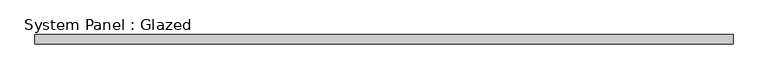
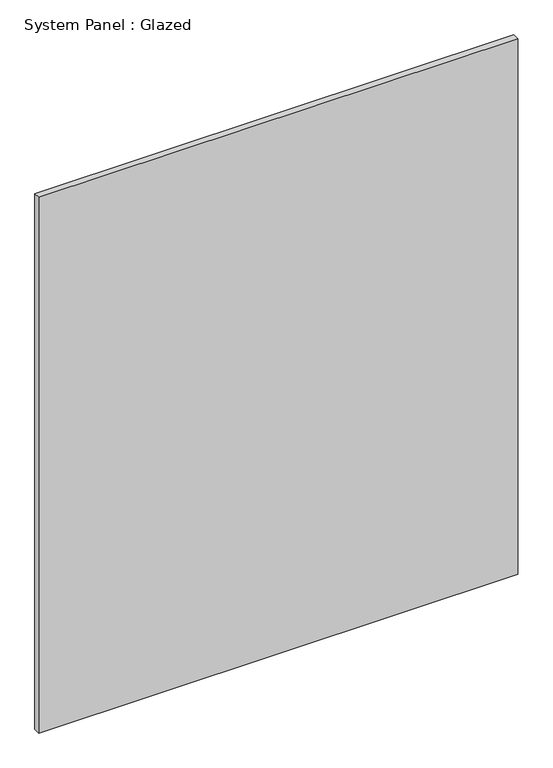
"""IFC4 building model written with IfcOpenShell, lengths in millimetres: plate geometry, System Panel : Glazed."""

from ifc_helpers import new_model, si_unit, origin, origin_with_axes, place, context, project, spatial, polyline, outline, extrude, source, transform, mapped, element, save


def system_panel_glazed_8fcf2291(model_context):
    return source(origin(), model_context, "Body", "SweptSolid", [
        extrude(outline(polyline([(930.0, 19.05), (-930.0, 19.05), (-930.0, 44.45), (930.0, 44.45), (930.0, 19.05)])), origin_with_axes(), (0.0, 0.0, 1.0), 2200.0),
    ])


if __name__ == "__main__":
    model = new_model("IFC4")
    model_context = context("Model", 3, world=origin())
    ifc_project = project(units=[si_unit("LENGTHUNIT", "METRE", prefix="MILLI")], contexts=[model_context])
    site = spatial("IfcSite", under=ifc_project)
    building = spatial("IfcBuilding", under=site)
    placement = place(None, origin())
    system_panel_glazed_shape = system_panel_glazed_8fcf2291(model_context)
    element("IfcPlate", 1, ObjectType="System Panel : Glazed", at=placement, inside=building, context=model_context, shape_type="MappedRepresentation", body=[
        mapped(system_panel_glazed_shape, transform((0.0, 0.0, 0.0), x_axis=(1.0, 0.0, 0.0), y_axis=(0.0, 1.0, 0.0), z_axis=(0.0, 0.0, 1.0))),
    ])
    save(model, "model.ifc")
